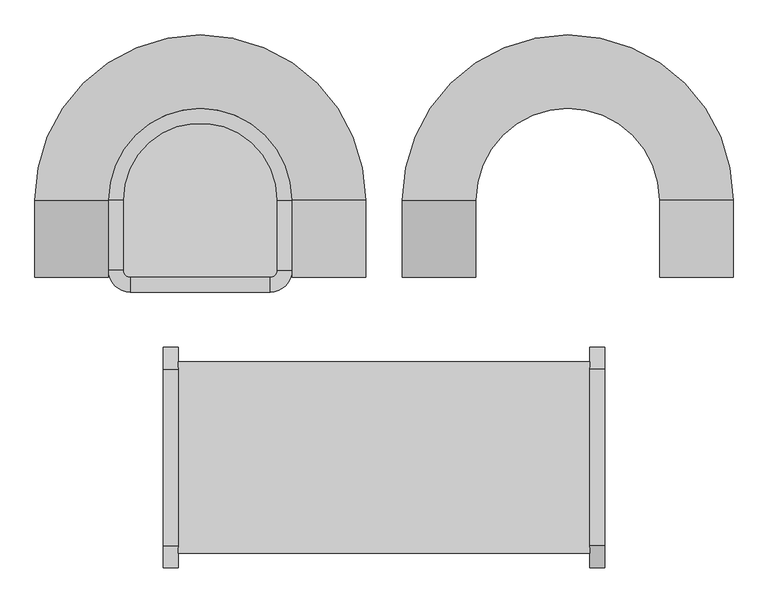
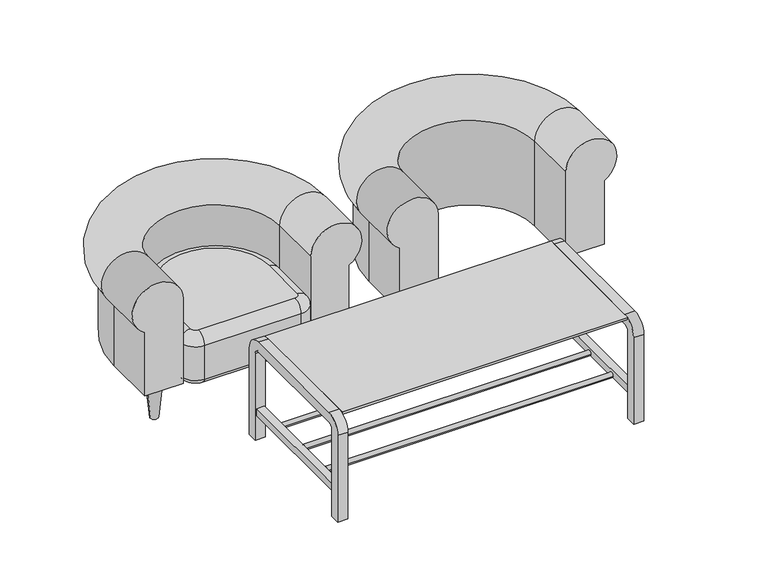
"""IFC4 building model written with IfcOpenShell, lengths in millimetres: furniture geometry."""

import ifcopenshell
import ifcopenshell.guid

model = None  # the IFC model being written
_history = None  # IfcOwnerHistory: only IFC2X3 demands one
_inside = {}  # id of a spatial element -> (the spatial element, [elements in it])
_under = {}  # id of a project, library or spatial element -> (it, [spatial elements below it])
_declared = {}  # id of a project -> (the project, [libraries it declares])
_typed = {}  # id of a type object -> (the type object, [elements of that type])
_made_of = {}  # id of a material, layer set ... -> (it, [elements and type objects made of it])


def new_model(schema):
    """Start an empty IFC model of exactly this schema.

    Asked for "IFC4X3", IfcOpenShell would pick the latest addendum, in which some entities
    have other attributes; the version numbers below select the first issue.
    IFC2X3 requires an IfcOwnerHistory on every rooted entity: one is made here for all.
    """
    global model, _history
    if schema == "IFC4X3":
        model = ifcopenshell.file(schema_version=(4, 3, 0, 0))
    else:
        model = ifcopenshell.file(schema=schema)
    _inside.clear()
    _under.clear()
    _declared.clear()
    _typed.clear()
    _made_of.clear()
    _history = None
    if model.schema == "IFC2X3":
        org = make("IfcOrganization", Name="unknown")
        user = make(
            "IfcPersonAndOrganization",
            ThePerson=make("IfcPerson", FamilyName="unknown"),
            TheOrganization=org,
        )
        app = make(
            "IfcApplication",
            ApplicationDeveloper=org,
            Version="unknown",
            ApplicationFullName="unknown",
            ApplicationIdentifier="unknown",
        )
        _history = make(
            "IfcOwnerHistory",
            OwningUser=user,
            OwningApplication=app,
            ChangeAction="ADDED",
            CreationDate=0,
        )
    return model


def make(cls, **values):
    """One entity of the class cls with the attributes given. An attribute that is None is left unset."""
    return model.create_entity(
        cls, **{name: value for name, value in values.items() if value is not None}
    )


def rooted(cls, **values):
    """An entity with a GlobalId (a new one), such as an element, a storey or a relation."""
    return make(cls, GlobalId=ifcopenshell.guid.new(), OwnerHistory=_history, **values)


def si_unit(unit_type, name, prefix=None):
    """IfcSIUnit, for example si_unit("LENGTHUNIT", "METRE", prefix="MILLI")."""
    return make("IfcSIUnit", UnitType=unit_type, Prefix=prefix, Name=name)


def assignment(units):
    """IfcUnitAssignment: the units of a project."""
    return None if units is None else make("IfcUnitAssignment", Units=units)


def point(xyz):
    """IfcCartesianPoint."""
    return None if xyz is None else make("IfcCartesianPoint", Coordinates=xyz)


def direction(xyz):
    """IfcDirection."""
    return None if xyz is None else make("IfcDirection", DirectionRatios=xyz)


def frame(location, z_axis=None, x_axis=None):
    """IfcAxis2Placement3D, a coordinate frame: its origin and axes. An axis left out is left unset."""
    return make(
        "IfcAxis2Placement3D",
        Location=point(location),
        Axis=direction(z_axis),
        RefDirection=direction(x_axis),
    )


def frame_2d(location, x_axis=None):
    """IfcAxis2Placement2D, a coordinate frame in the plane: its origin and x axis."""
    return make(
        "IfcAxis2Placement2D", Location=point(location), RefDirection=direction(x_axis)
    )


def origin():
    """The frame at (0, 0, 0) with its axes left unset."""
    return frame((0.0, 0.0, 0.0))


def place(relative_to, where):
    """IfcLocalPlacement: puts the frame where relative to a parent placement (None: the world)."""
    return make(
        "IfcLocalPlacement", PlacementRelTo=relative_to, RelativePlacement=where
    )


def context(
    kind, dimensions, precision=None, world=None, true_north=None, identifier=None
):
    """IfcGeometricRepresentationContext, for example the 3D "Model" context."""
    return make(
        "IfcGeometricRepresentationContext",
        ContextIdentifier=identifier,
        ContextType=kind,
        CoordinateSpaceDimension=dimensions,
        Precision=precision,
        WorldCoordinateSystem=world,
        TrueNorth=true_north,
    )


def project(units=None, contexts=None):
    """IfcProject with its units and contexts."""
    return rooted(
        "IfcProject",
        Name="project",
        RepresentationContexts=contexts,
        UnitsInContext=assignment(units),
    )


def spatial(cls, under=None, at=None, **own):
    """A site, building, storey or space (cls), placed at a placement, below another one or the project."""
    s = rooted(cls, ObjectPlacement=at, **own)
    if under is not None:
        _under.setdefault(under.id(), (under, []))[1].append(s)
    return s


def polyline(points):
    """IfcPolyline through the points."""
    return make("IfcPolyline", Points=[point(p) for p in points])


def circle_curve(where, radius):
    """IfcCircle in the frame where."""
    return make("IfcCircle", Position=where, Radius=radius)


def ellipse_curve(where, semi_axis1, semi_axis2):
    """IfcEllipse in the frame where."""
    return make(
        "IfcEllipse", Position=where, SemiAxis1=semi_axis1, SemiAxis2=semi_axis2
    )


def trimmed(basis, trim1, trim2, sense, master):
    """IfcTrimmedCurve: the piece of a basis curve between two trims."""
    return make(
        "IfcTrimmedCurve",
        BasisCurve=basis,
        Trim1=trim1,
        Trim2=trim2,
        SenseAgreement=sense,
        MasterRepresentation=master,
    )


def segment(curve, same_sense, transition):
    """IfcCompositeCurveSegment."""
    return make(
        "IfcCompositeCurveSegment",
        Transition=transition,
        SameSense=same_sense,
        ParentCurve=curve,
    )


def composite_curve(segments, self_intersect=None):
    """IfcCompositeCurve: segments joined end to end."""
    return make("IfcCompositeCurve", Segments=segments, SelfIntersect=self_intersect)


def outline(outer, holes=None, kind="AREA"):
    """IfcArbitraryClosedProfileDef: a profile drawn as a closed curve; with holes, ...WithVoids."""
    if holes is None:
        return make("IfcArbitraryClosedProfileDef", ProfileType=kind, OuterCurve=outer)
    return make(
        "IfcArbitraryProfileDefWithVoids",
        ProfileType=kind,
        OuterCurve=outer,
        InnerCurves=holes,
    )


def extrude(swept, where, along, depth):
    """IfcExtrudedAreaSolid: the profile swept, set in the frame where, extruded along a direction by depth."""
    return make(
        "IfcExtrudedAreaSolid",
        SweptArea=swept,
        Position=where,
        ExtrudedDirection=direction(along),
        Depth=depth,
    )


def shape(context_of_items, identifier, shape_type, items):
    """IfcShapeRepresentation: the items that make up one representation, for example the "Body"."""
    return make(
        "IfcShapeRepresentation",
        ContextOfItems=context_of_items,
        RepresentationIdentifier=identifier,
        RepresentationType=shape_type,
        Items=items,
    )


def source(mapping_origin, context_of_items, identifier, shape_type, items):
    """IfcRepresentationMap: a shape defined once, which mapped items show again and again."""
    return make(
        "IfcRepresentationMap",
        MappingOrigin=mapping_origin,
        MappedRepresentation=shape(context_of_items, identifier, shape_type, items),
    )


def transform(
    local_origin,
    x_axis=None,
    y_axis=None,
    z_axis=None,
    scale=None,
    scale2=None,
    scale3=None,
    uniform=True,
):
    """IfcCartesianTransformationOperator3D, or its non-uniform kind. x_axis, y_axis, z_axis: its Axis1, 2, 3."""
    if uniform:
        return make(
            "IfcCartesianTransformationOperator3D",
            Axis1=direction(x_axis),
            Axis2=direction(y_axis),
            LocalOrigin=point(local_origin),
            Scale=scale,
            Axis3=direction(z_axis),
        )
    return make(
        "IfcCartesianTransformationOperator3DnonUniform",
        Axis1=direction(x_axis),
        Axis2=direction(y_axis),
        LocalOrigin=point(local_origin),
        Scale=scale,
        Axis3=direction(z_axis),
        Scale2=scale2,
        Scale3=scale3,
    )


def mapped(mapping_source, mapping_target):
    """IfcMappedItem: shows the shape of a source again, moved by a transform."""
    return make(
        "IfcMappedItem", MappingSource=mapping_source, MappingTarget=mapping_target
    )


def made_of(thing, what):
    """Note that an element or type object is made of a material, layer set ...; save() writes the relation."""
    if what is not None:
        _made_of.setdefault(what.id(), (what, []))[1].append(thing)
    return thing


def element(
    cls,
    number,
    at=None,
    inside=None,
    cuts=None,
    type_object=None,
    material=None,
    context=None,
    identifier="Body",
    shape_type=None,
    held_by="IfcProductDefinitionShape",
    body=None,
    shapes=None,
    **own,
):
    """One element of the class cls, such as IfcWall. Its Tag is "e" and its number.

    at: its placement. inside: the storey or other place that contains it. cuts: it is an
    opening in that element (IfcRelVoidsElement). A single representation is given by context,
    identifier, shape_type and body (its items); several are given by shapes. held_by: the class
    of the entity that holds the representations. save() writes the other relations.
    """
    e = rooted(cls, Tag="e%d" % number, ObjectPlacement=at, **own)
    if body is not None:
        shapes = [shape(context, identifier, shape_type, body)]
    if shapes is not None:
        e.Representation = make(held_by, Representations=shapes)
    if inside is not None:
        _inside.setdefault(inside.id(), (inside, []))[1].append(e)
    if cuts is not None:
        rooted(
            "IfcRelVoidsElement", RelatingBuildingElement=cuts, RelatedOpeningElement=e
        )
    if type_object is not None:
        _typed.setdefault(type_object.id(), (type_object, []))[1].append(e)
    return made_of(e, material)


def aggregate(whole, parts):
    """IfcRelAggregates: a whole, such as a stair, and the parts it consists of."""
    return rooted("IfcRelAggregates", RelatingObject=whole, RelatedObjects=parts)


def save(model, path):
    """Write the relations noted so far, then the file.

    IfcRelAggregates (storeys below a building ...), IfcRelContainedInSpatialStructure (elements
    in a storey), IfcRelDefinesByType, IfcRelAssociatesMaterial and IfcRelDeclares: one each for
    every whole, place, type object, material and project.
    """
    for whole, parts in _under.values():
        aggregate(whole, parts)
    for where, things in _inside.values():
        rooted(
            "IfcRelContainedInSpatialStructure",
            RelatedElements=things,
            RelatingStructure=where,
        )
    for kind, things in _typed.values():
        rooted("IfcRelDefinesByType", RelatedObjects=things, RelatingType=kind)
    for what, things in _made_of.values():
        rooted("IfcRelAssociatesMaterial", RelatedObjects=things, RelatingMaterial=what)
    for by, libraries in _declared.values():
        rooted("IfcRelDeclares", RelatingContext=by, RelatedDefinitions=libraries)
    model.write(path)


def plane_surface(at):
    """IfcPlane: the flat surface through the origin of the frame at, square to its z axis."""
    return make("IfcPlane", Position=at)


def cylinder_surface(at, radius):
    """IfcCylindricalSurface: all points at the distance radius from the z axis of the frame at."""
    return make("IfcCylindricalSurface", Position=at, Radius=radius)


def revolved_surface(curve, axis_point, axis_direction):
    """IfcSurfaceOfRevolution: the curve turned about the line through axis_point along axis_direction."""
    return make(
        "IfcSurfaceOfRevolution",
        SweptCurve=make("IfcArbitraryOpenProfileDef", ProfileType="CURVE", Curve=curve),
        AxisPosition=make("IfcAxis1Placement", Location=point(axis_point), Axis=direction(axis_direction)),
    )


def advanced_brep(points, edges, surfaces, faces):
    """IfcAdvancedBrep: a solid bounded by faces that lie on surfaces and meet in shared edges.

    An edge is (start, end): straight between two places in points (the first is 0);
    or (start, end, curve); or (start, end, curve, False) where it runs against its curve.
    A face is (place in surfaces, loops), or (place, loops, False) where it looks against
    its surface's normal. A loop lists edges by number (the first is 1), with a minus sign
    where the edge is run from its end to its start. The first loop is the outer one.
    """
    corners = [point(p) for p in points]
    vertices = [make("IfcVertexPoint", VertexGeometry=c) for c in corners]
    made = []
    for start, end, *more in edges:
        made.append(
            make(
                "IfcEdgeCurve",
                EdgeStart=vertices[start],
                EdgeEnd=vertices[end],
                EdgeGeometry=more[0] if more else make("IfcPolyline", Points=[corners[start], corners[end]]),
                SameSense=more[1] if len(more) > 1 else True,
            )
        )
    hull = []
    for where, loops, *sense in faces:
        bounds = []
        for j, loop in enumerate(loops):
            ring = [make("IfcOrientedEdge", EdgeElement=made[abs(k) - 1], Orientation=k > 0) for k in loop]
            bounds.append(
                make(
                    "IfcFaceOuterBound" if j == 0 else "IfcFaceBound",
                    Bound=make("IfcEdgeLoop", EdgeList=ring),
                    Orientation=True,
                )
            )
        hull.append(make("IfcAdvancedFace", Bounds=bounds, FaceSurface=surfaces[where], SameSense=sense[0] if sense else True))
    return make("IfcAdvancedBrep", Outer=make("IfcClosedShell", CfsFaces=hull))


def furniture_04e8e0e5(model_context):
    return source(origin(), model_context, "Body", "SolidModel", [
        advanced_brep(
        [(750.0, 490.0, 500.0), (750.0, 490.0, 150.0), (900.0, 490.0, 150.0), (900.0, 490.0, 413.3974596), (750.0, 700.0, 500.0), (750.0, 700.0, 150.0), (250.0, 700.0, 150.0), (250.0, 490.0, 150.0), (100.0, 490.0, 150.0), (100.0, 700.0, 150.0), (900.0, 700.0, 150.0), (900.0, 700.0, 413.3974596), (250.0, 700.0, 500.0), (100.0, 700.0, 413.3974596), (250.0, 490.0, 500.0), (100.0, 490.0, 413.3974596)],
        [
            (0, 1),
            (1, 2),
            (2, 3),
            (3, 0, circle_curve(frame((850.0, 490.0, 500.0), z_axis=(0.0, -1.0, 0.0), x_axis=(1.0, 0.0, 0.0)), 100.0)),
            (0, 4),
            (4, 5),
            (5, 1),
            (5, 6, circle_curve(frame((500.0, 700.0, 150.0), z_axis=(0.0, 0.0, 1.0), x_axis=(1.0, 0.0, 0.0)), 250.0)),
            (6, 7),
            (7, 8),
            (8, 9),
            (9, 10, circle_curve(frame((500.0, 700.0, 150.0), z_axis=(0.0, 0.0, -1.0), x_axis=(1.0, 0.0, 0.0)), 400.0)),
            (10, 2),
            (10, 11),
            (11, 3),
            (11, 4, circle_curve(frame((850.0, 700.0, 500.0), z_axis=(0.0, -1.0, 0.0), x_axis=(1.0, 0.0, 0.0)), 100.0)),
            (4, 12, circle_curve(frame((500.0, 700.0, 500.0), z_axis=(0.0, 0.0, 1.0), x_axis=(1.0, 0.0, 0.0)), 250.0)),
            (12, 6),
            (13, 11, circle_curve(frame((500.0, 700.0, 413.3974596), z_axis=(0.0, 0.0, -1.0), x_axis=(1.0, 0.0, 0.0)), 400.0)),
            (9, 13),
            (13, 12, circle_curve(frame((150.0, 700.0, 500.0), z_axis=(0.0, 1.0, 0.0), x_axis=(-1.0, 0.0, 0.0)), 100.0)),
            (14, 15, circle_curve(frame((150.0, 490.0, 500.0), z_axis=(0.0, -1.0, 0.0), x_axis=(-1.0, 0.0, 0.0)), 100.0)),
            (15, 8),
            (7, 14),
            (12, 14),
            (15, 13),
        ],
        [
            plane_surface(frame((140.119898, 490.0, 0.0), z_axis=(0.0, -1.0, 0.0), x_axis=(0.0, 0.0, 1.0))),
            plane_surface(frame((750.0, 490.0, 500.0), z_axis=(-1.0, 0.0, 0.0), x_axis=(0.0, 1.0, 0.0))),
            plane_surface(frame((750.0, 490.0, 150.0), z_axis=(0.0, 0.0, -1.0), x_axis=(0.0, 1.0, 0.0))),
            plane_surface(frame((900.0, 490.0, 150.0), z_axis=(1.0, 0.0, 0.0), x_axis=(0.0, 1.0, 0.0))),
            cylinder_surface(frame((850.0, 490.0, 500.0), z_axis=(0.0, -1.0, 0.0), x_axis=(1.0, 0.0, 0.0)), 100.0),
            revolved_surface(polyline([(750.0, 700.0, 500.0), (750.0, 700.0, 150.0)]), (500.0, 700.0, 0.0), (0.0, 0.0, 1.0)),
            cylinder_surface(frame((500.0, 700.0, 0.0), z_axis=(0.0, 0.0, 1.0), x_axis=(1.0, 0.0, 0.0)), 400.0),
            revolved_surface(trimmed(ellipse_curve(frame((850.0, 700.0, 500.0), z_axis=(0.0, -1.0, 0.0), x_axis=(1.0, 0.0, 0.0)), 100.0, 100.0), [point((900.0, 700.0, 413.3974596))], [point((750.0, 700.0, 500.0))], True, "CARTESIAN"), (500.0, 700.0, 0.0), (0.0, 0.0, 1.0)),
            plane_surface(frame((-359.880102, 490.0, 0.0), z_axis=(0.0, -1.0, 0.0), x_axis=(0.0, 0.0, -1.0))),
            plane_surface(frame((250.0, 700.0, 500.0), z_axis=(1.0, 0.0, 0.0), x_axis=(0.0, -1.0, 0.0))),
            plane_surface(frame((100.0, 700.0, 150.0), z_axis=(-1.0, 0.0, 0.0), x_axis=(0.0, -1.0, 0.0))),
            cylinder_surface(frame((150.0, 700.0, 500.0), z_axis=(0.0, 1.0, 0.0), x_axis=(-1.0, 0.0, 0.0)), 100.0),
        ],
        [
            (0, [[1, 2, 3, 4]]),
            (1, [[-1, 5, 6, 7]]),
            (2, [[-2, -7, 8, 9, 10, 11, 12, 13]]),
            (3, [[-3, -13, 14, 15]]),
            (4, [[-4, -15, 16, -5]]),
            (5, [[-8, -6, 17, 18]]),
            (6, [[19, -14, -12, 20]]),
            (7, [[-17, -16, -19, 21]]),
            (8, [[22, 23, -10, 24]]),
            (9, [[-18, 25, -24, -9]]),
            (10, [[-20, -11, -23, 26]]),
            (11, [[-21, -26, -22, -25]]),
        ],
    ),
        advanced_brep(
        [(-750.0, 510.0, 310.0), (-690.0, 450.0, 310.0), (-690.0, 490.0, 350.0), (-710.0, 510.0, 350.0), (-750.0, 510.0, 170.0), (-690.0, 450.0, 170.0), (-730.0, 510.0, 150.0), (-690.0, 470.0, 150.0), (-710.0, 700.0, 350.0), (-750.0, 700.0, 310.0), (-750.0, 700.0, 170.0), (-730.0, 700.0, 150.0), (-290.0, 700.0, 350.0), (-250.0, 700.0, 310.0), (-250.0, 700.0, 170.0), (-270.0, 700.0, 150.0), (-290.0, 510.0, 350.0), (-250.0, 510.0, 310.0), (-250.0, 510.0, 170.0), (-270.0, 510.0, 150.0), (-310.0, 490.0, 350.0), (-310.0, 450.0, 310.0), (-310.0, 450.0, 170.0), (-310.0, 470.0, 150.0)],
        [
            (0, 1, circle_curve(frame((-690.0, 510.0, 310.0), z_axis=(0.0, 0.0, 1.0), x_axis=(0.0, -1.0, 0.0)), 60.0)),
            (1, 2, circle_curve(frame((-690.0, 490.0, 310.0), z_axis=(-1.0, 0.0, 0.0), x_axis=(0.0, 1.0, 0.0)), 40.0)),
            (2, 3, circle_curve(frame((-690.0, 510.0, 350.0), z_axis=(0.0, 0.0, -1.0), x_axis=(0.0, -1.0, 0.0)), 20.0)),
            (3, 0, circle_curve(frame((-710.0, 510.0, 310.0), z_axis=(0.0, -1.0, 0.0), x_axis=(1.0, 0.0, 0.0)), 40.0)),
            (0, 4),
            (4, 5, circle_curve(frame((-690.0, 510.0, 170.0), z_axis=(0.0, 0.0, 1.0), x_axis=(0.0, -1.0, 0.0)), 60.0)),
            (5, 1),
            (4, 6, circle_curve(frame((-730.0, 510.0, 170.0), z_axis=(0.0, -1.0, 0.0), x_axis=(1.0, 0.0, 0.0)), 20.0)),
            (6, 7, circle_curve(frame((-690.0, 510.0, 150.0), z_axis=(0.0, 0.0, 1.0), x_axis=(0.0, -1.0, 0.0)), 40.0)),
            (7, 5, circle_curve(frame((-690.0, 470.0, 170.0), z_axis=(-1.0, 0.0, 0.0), x_axis=(0.0, 1.0, 0.0)), 20.0)),
            (3, 8),
            (8, 9, circle_curve(frame((-710.0, 700.0, 310.0), z_axis=(0.0, -1.0, 0.0), x_axis=(1.0, 0.0, 0.0)), 40.0)),
            (9, 0),
            (9, 10),
            (10, 4),
            (10, 11, circle_curve(frame((-730.0, 700.0, 170.0), z_axis=(0.0, -1.0, 0.0), x_axis=(1.0, 0.0, 0.0)), 20.0)),
            (11, 6),
            (8, 12, circle_curve(frame((-500.0, 700.0, 350.0), z_axis=(0.0, 0.0, -1.0), x_axis=(-1.0, 0.0, 0.0)), 210.0)),
            (12, 13, circle_curve(frame((-290.0, 700.0, 310.0), z_axis=(0.0, 1.0, 0.0), x_axis=(-1.0, 0.0, 0.0)), 40.0)),
            (13, 9, circle_curve(frame((-500.0, 700.0, 310.0), z_axis=(0.0, 0.0, 1.0), x_axis=(-1.0, 0.0, 0.0)), 250.0)),
            (13, 14),
            (14, 10, circle_curve(frame((-500.0, 700.0, 170.0), z_axis=(0.0, 0.0, 1.0), x_axis=(-1.0, 0.0, 0.0)), 250.0)),
            (14, 15, circle_curve(frame((-270.0, 700.0, 170.0), z_axis=(0.0, 1.0, 0.0), x_axis=(-1.0, 0.0, 0.0)), 20.0)),
            (15, 11, circle_curve(frame((-500.0, 700.0, 150.0), z_axis=(0.0, 0.0, 1.0), x_axis=(-1.0, 0.0, 0.0)), 230.0)),
            (12, 16),
            (16, 17, circle_curve(frame((-290.0, 510.0, 310.0), z_axis=(0.0, 1.0, 0.0), x_axis=(-1.0, 0.0, 0.0)), 40.0)),
            (17, 13),
            (17, 18),
            (18, 14),
            (18, 19, circle_curve(frame((-270.0, 510.0, 170.0), z_axis=(0.0, 1.0, 0.0), x_axis=(-1.0, 0.0, 0.0)), 20.0)),
            (19, 15),
            (16, 20, circle_curve(frame((-310.0, 510.0, 350.0), z_axis=(0.0, 0.0, -1.0), x_axis=(1.0, 0.0, 0.0)), 20.0)),
            (20, 21, circle_curve(frame((-310.0, 490.0, 310.0), z_axis=(1.0, 0.0, 0.0), x_axis=(0.0, 1.0, 0.0)), 40.0)),
            (21, 17, circle_curve(frame((-310.0, 510.0, 310.0), z_axis=(0.0, 0.0, 1.0), x_axis=(1.0, 0.0, 0.0)), 60.0)),
            (21, 22),
            (22, 18, circle_curve(frame((-310.0, 510.0, 170.0), z_axis=(0.0, 0.0, 1.0), x_axis=(1.0, 0.0, 0.0)), 60.0)),
            (22, 23, circle_curve(frame((-310.0, 470.0, 170.0), z_axis=(1.0, 0.0, 0.0), x_axis=(0.0, 1.0, 0.0)), 20.0)),
            (23, 19, circle_curve(frame((-310.0, 510.0, 150.0), z_axis=(0.0, 0.0, 1.0), x_axis=(1.0, 0.0, 0.0)), 40.0)),
            (1, 21),
            (20, 2),
            (5, 22),
            (7, 23),
        ],
        [
            revolved_surface(trimmed(ellipse_curve(frame((-690.0, 490.0, 310.0), z_axis=(1.0, 0.0, 0.0), x_axis=(0.0, 1.0, 0.0)), 40.0, 40.0), [point((-690.0, 490.0, 350.0))], [point((-690.0, 450.0, 310.0))], True, "CARTESIAN"), (-690.0, 510.0, 150.0), (0.0, 0.0, -1.0)),
            cylinder_surface(frame((-690.0, 510.0, 150.0), z_axis=(0.0, 0.0, -1.0), x_axis=(0.0, -1.0, 0.0)), 60.0),
            revolved_surface(trimmed(ellipse_curve(frame((-690.0, 470.0, 170.0), z_axis=(1.0, 0.0, 0.0), x_axis=(0.0, 1.0, 0.0)), 20.0, 20.0), [point((-690.0, 450.0, 170.0))], [point((-690.0, 470.0, 150.0))], True, "CARTESIAN"), (-690.0, 510.0, 150.0), (0.0, 0.0, -1.0)),
            cylinder_surface(frame((-710.0, 510.0, 310.0), z_axis=(0.0, -1.0, 0.0), x_axis=(1.0, 0.0, 0.0)), 40.0),
            plane_surface(frame((-750.0, 510.0, 310.0), z_axis=(-1.0, 0.0, 0.0), x_axis=(0.0, 1.0, 0.0))),
            cylinder_surface(frame((-730.0, 510.0, 170.0), z_axis=(0.0, -1.0, 0.0), x_axis=(1.0, 0.0, 0.0)), 20.0),
            revolved_surface(trimmed(ellipse_curve(frame((-710.0, 700.0, 310.0), z_axis=(0.0, -1.0, 0.0), x_axis=(1.0, 0.0, 0.0)), 40.0, 40.0), [point((-710.0, 700.0, 350.0))], [point((-750.0, 700.0, 310.0))], True, "CARTESIAN"), (-500.0, 700.0, 150.0), (0.0, 0.0, -1.0)),
            cylinder_surface(frame((-500.0, 700.0, 150.0), z_axis=(0.0, 0.0, -1.0), x_axis=(-1.0, 0.0, 0.0)), 250.0),
            revolved_surface(trimmed(ellipse_curve(frame((-730.0, 700.0, 170.0), z_axis=(0.0, -1.0, 0.0), x_axis=(1.0, 0.0, 0.0)), 20.0, 20.0), [point((-750.0, 700.0, 170.0))], [point((-730.0, 700.0, 150.0))], True, "CARTESIAN"), (-500.0, 700.0, 150.0), (0.0, 0.0, -1.0)),
            cylinder_surface(frame((-290.0, 700.0, 310.0), z_axis=(0.0, 1.0, 0.0), x_axis=(-1.0, 0.0, 0.0)), 40.0),
            plane_surface(frame((-250.0, 700.0, 310.0), z_axis=(1.0, 0.0, 0.0), x_axis=(0.0, -1.0, 0.0))),
            cylinder_surface(frame((-270.0, 700.0, 170.0), z_axis=(0.0, 1.0, 0.0), x_axis=(-1.0, 0.0, 0.0)), 20.0),
            revolved_surface(trimmed(ellipse_curve(frame((-290.0, 510.0, 310.0), z_axis=(0.0, 1.0, 0.0), x_axis=(-1.0, 0.0, 0.0)), 40.0, 40.0), [point((-290.0, 510.0, 350.0))], [point((-250.0, 510.0, 310.0))], True, "CARTESIAN"), (-310.0, 510.0, 150.0), (0.0, 0.0, -1.0)),
            cylinder_surface(frame((-310.0, 510.0, 150.0), z_axis=(0.0, 0.0, -1.0), x_axis=(1.0, 0.0, 0.0)), 60.0),
            revolved_surface(trimmed(ellipse_curve(frame((-270.0, 510.0, 170.0), z_axis=(0.0, 1.0, 0.0), x_axis=(-1.0, 0.0, 0.0)), 20.0, 20.0), [point((-250.0, 510.0, 170.0))], [point((-270.0, 510.0, 150.0))], True, "CARTESIAN"), (-310.0, 510.0, 150.0), (0.0, 0.0, -1.0)),
            cylinder_surface(frame((-310.0, 490.0, 310.0), z_axis=(1.0, 0.0, 0.0), x_axis=(0.0, 1.0, 0.0)), 40.0),
            plane_surface(frame((-310.0, 450.0, 310.0), z_axis=(0.0, -1.0, 0.0), x_axis=(-1.0, 0.0, 0.0))),
            cylinder_surface(frame((-310.0, 470.0, 170.0), z_axis=(1.0, 0.0, 0.0), x_axis=(0.0, 1.0, 0.0)), 20.0),
            plane_surface(frame((-310.0, 470.0, 150.0), z_axis=(0.0, 0.0, -1.0), x_axis=(-1.0, 0.0, 0.0))),
            plane_surface(frame((-310.0, 500.0, 350.0), z_axis=(0.0, 0.0, 1.0), x_axis=(-1.0, 0.0, 0.0))),
        ],
        [
            (0, [[1, 2, 3, 4]]),
            (1, [[-1, 5, 6, 7]]),
            (2, [[-6, 8, 9, 10]]),
            (3, [[-4, 11, 12, 13]]),
            (4, [[-5, -13, 14, 15]]),
            (5, [[-8, -15, 16, 17]]),
            (6, [[-12, 18, 19, 20]]),
            (7, [[-14, -20, 21, 22]]),
            (8, [[-16, -22, 23, 24]]),
            (9, [[-19, 25, 26, 27]]),
            (10, [[-21, -27, 28, 29]]),
            (11, [[-23, -29, 30, 31]]),
            (12, [[-26, 32, 33, 34]]),
            (13, [[-28, -34, 35, 36]]),
            (14, [[-30, -36, 37, 38]]),
            (15, [[-2, 39, -33, 40]]),
            (16, [[-7, 41, -35, -39]]),
            (17, [[-10, 42, -37, -41]]),
            (18, [[-9, -17, -24, -31, -38, -42]]),
            (19, [[-3, -40, -32, -25, -18, -11]]),
        ],
    ),
        advanced_brep(
        [(-142.768225, 552.485111, 150.0), (-202.768225, 552.485111, 150.0), (-157.768225, 552.485111, 0.0), (-187.768225, 552.485111, 0.0)],
        [
            (0, 1, circle_curve(frame((-172.768225, 552.485111, 150.0), z_axis=(0.0, 0.0, 1.0), x_axis=(1.0, 0.0, 0.0)), 30.0)),
            (1, 0, circle_curve(frame((-172.768225, 552.485111, 150.0), z_axis=(0.0, 0.0, 1.0), x_axis=(-1.0, 0.0, 0.0)), 30.0)),
            (2, 3, circle_curve(frame((-172.768225, 552.485111, 0.0), z_axis=(0.0, 0.0, -1.0), x_axis=(-1.0, 0.0, 0.0)), 15.0)),
            (3, 2, circle_curve(frame((-172.768225, 552.485111, 0.0), z_axis=(0.0, 0.0, -1.0), x_axis=(1.0, 0.0, 0.0)), 15.0)),
            (3, 1),
            (0, 2),
        ],
        [
            plane_surface(frame((-172.768225, 552.485111, 150.0), z_axis=(0.0, 0.0, 1.0), x_axis=(0.0, 1.0, 0.0))),
            plane_surface(frame((-172.768225, 552.485111, 0.0), z_axis=(0.0, 0.0, -1.0), x_axis=(0.0, 1.0, 0.0))),
            revolved_surface(polyline([(-187.768225, 552.485111, 0.0), (-202.768225, 552.485111, 150.0)]), (-172.768225, 552.485111, -150.0), (0.0, 0.0, 1.0)),
            revolved_surface(polyline([(-157.768225, 552.485111, 0.0), (-142.768225, 552.485111, 150.0)]), (-172.768225, 552.485111, -150.0), (0.0, 0.0, 1.0)),
        ],
        [
            (0, [[1, 2]]),
            (1, [[3, 4]]),
            (2, [[-4, 5, -1, 6]]),
            (3, [[-3, -6, -2, -5]]),
        ],
    ),
        advanced_brep(
        [(-271.714475, 996.0241435, 150.0), (-331.714475, 996.0241435, 150.0), (-286.714475, 996.0241435, 0.0), (-316.714475, 996.0241435, 0.0)],
        [
            (0, 1, circle_curve(frame((-301.714475, 996.0241435, 150.0), z_axis=(0.0, 0.0, 1.0), x_axis=(1.0, 0.0, 0.0)), 30.0)),
            (1, 0, circle_curve(frame((-301.714475, 996.0241435, 150.0), z_axis=(0.0, 0.0, 1.0), x_axis=(-1.0, 0.0, 0.0)), 30.0)),
            (2, 3, circle_curve(frame((-301.714475, 996.0241435, 0.0), z_axis=(0.0, 0.0, -1.0), x_axis=(-1.0, 0.0, 0.0)), 15.0)),
            (3, 2, circle_curve(frame((-301.714475, 996.0241435, 0.0), z_axis=(0.0, 0.0, -1.0), x_axis=(1.0, 0.0, 0.0)), 15.0)),
            (3, 1),
            (0, 2),
        ],
        [
            plane_surface(frame((-301.714475, 996.0241435, 150.0), z_axis=(0.0, 0.0, 1.0), x_axis=(0.0, 1.0, 0.0))),
            plane_surface(frame((-301.714475, 996.0241435, 0.0), z_axis=(0.0, 0.0, -1.0), x_axis=(0.0, 1.0, 0.0))),
            revolved_surface(polyline([(-316.714475, 996.0241435, 0.0), (-331.714475, 996.0241435, 150.0)]), (-301.714475, 996.0241435, -150.0), (0.0, 0.0, 1.0)),
            revolved_surface(polyline([(-286.714475, 996.0241435, 0.0), (-271.714475, 996.0241435, 150.0)]), (-301.714475, 996.0241435, -150.0), (0.0, 0.0, 1.0)),
        ],
        [
            (0, [[1, 2]]),
            (1, [[3, 4]]),
            (2, [[-4, 5, -1, 6]]),
            (3, [[-3, -6, -2, -5]]),
        ],
    ),
        advanced_brep(
        [(-728.285525, 996.0241435, 150.0), (-668.285525, 996.0241435, 150.0), (-713.285525, 996.0241435, 0.0), (-683.285525, 996.0241435, 0.0)],
        [
            (0, 1, circle_curve(frame((-698.285525, 996.0241435, 150.0), z_axis=(0.0, 0.0, 1.0), x_axis=(-1.0, 0.0, 0.0)), 30.0)),
            (1, 0, circle_curve(frame((-698.285525, 996.0241435, 150.0), z_axis=(0.0, 0.0, 1.0), x_axis=(1.0, 0.0, 0.0)), 30.0)),
            (2, 3, circle_curve(frame((-698.285525, 996.0241435, 0.0), z_axis=(0.0, 0.0, -1.0), x_axis=(1.0, 0.0, 0.0)), 15.0)),
            (3, 2, circle_curve(frame((-698.285525, 996.0241435, 0.0), z_axis=(0.0, 0.0, -1.0), x_axis=(-1.0, 0.0, 0.0)), 15.0)),
            (3, 1),
            (0, 2),
        ],
        [
            plane_surface(frame((-698.285525, 996.0241435, 150.0), z_axis=(0.0, 0.0, 1.0), x_axis=(0.0, -1.0, 0.0))),
            plane_surface(frame((-698.285525, 996.0241435, 0.0), z_axis=(0.0, 0.0, -1.0), x_axis=(0.0, -1.0, 0.0))),
            revolved_surface(polyline([(-683.285525, 996.0241435, 0.0), (-668.285525, 996.0241435, 150.0)]), (-698.285525, 996.0241435, -150.0), (0.0, 0.0, 1.0)),
            revolved_surface(polyline([(-713.285525, 996.0241435, 0.0), (-728.285525, 996.0241435, 150.0)]), (-698.285525, 996.0241435, -150.0), (0.0, 0.0, 1.0)),
        ],
        [
            (0, [[1, 2]]),
            (1, [[3, 4]]),
            (2, [[-4, 5, -1, 6]]),
            (3, [[-3, -6, -2, -5]]),
        ],
    ),
        advanced_brep(
        [(-857.231775, 552.485111, 150.0), (-797.231775, 552.485111, 150.0), (-842.231775, 552.485111, 0.0), (-812.231775, 552.485111, 0.0)],
        [
            (0, 1, circle_curve(frame((-827.231775, 552.485111, 150.0), z_axis=(0.0, 0.0, 1.0), x_axis=(-1.0, 0.0, 0.0)), 30.0)),
            (1, 0, circle_curve(frame((-827.231775, 552.485111, 150.0), z_axis=(0.0, 0.0, 1.0), x_axis=(1.0, 0.0, 0.0)), 30.0)),
            (2, 3, circle_curve(frame((-827.231775, 552.485111, 0.0), z_axis=(0.0, 0.0, -1.0), x_axis=(1.0, 0.0, 0.0)), 15.0)),
            (3, 2, circle_curve(frame((-827.231775, 552.485111, 0.0), z_axis=(0.0, 0.0, -1.0), x_axis=(-1.0, 0.0, 0.0)), 15.0)),
            (3, 1),
            (0, 2),
        ],
        [
            plane_surface(frame((-827.231775, 552.485111, 150.0), z_axis=(0.0, 0.0, 1.0), x_axis=(0.0, -1.0, 0.0))),
            plane_surface(frame((-827.231775, 552.485111, 0.0), z_axis=(0.0, 0.0, -1.0), x_axis=(0.0, -1.0, 0.0))),
            revolved_surface(polyline([(-812.231775, 552.485111, 0.0), (-797.231775, 552.485111, 150.0)]), (-827.231775, 552.485111, -150.0), (0.0, 0.0, 1.0)),
            revolved_surface(polyline([(-842.231775, 552.485111, 0.0), (-857.231775, 552.485111, 150.0)]), (-827.231775, 552.485111, -150.0), (0.0, 0.0, 1.0)),
        ],
        [
            (0, [[1, 2]]),
            (1, [[3, 4]]),
            (2, [[-4, 5, -1, 6]]),
            (3, [[-3, -6, -2, -5]]),
        ],
    ),
        advanced_brep(
        [(-250.0, 490.0, 500.0), (-250.0, 490.0, 150.0), (-100.0, 490.0, 150.0), (-100.0, 490.0, 413.3974596), (-250.0, 700.0, 500.0), (-250.0, 700.0, 150.0), (-750.0, 700.0, 150.0), (-750.0, 490.0, 150.0), (-900.0, 490.0, 150.0), (-900.0, 700.0, 150.0), (-100.0, 700.0, 150.0), (-100.0, 700.0, 413.3974596), (-750.0, 700.0, 500.0), (-900.0, 700.0, 413.3974596), (-750.0, 490.0, 500.0), (-900.0, 490.0, 413.3974596)],
        [
            (0, 1),
            (1, 2),
            (2, 3),
            (3, 0, circle_curve(frame((-150.0, 490.0, 500.0), z_axis=(0.0, -1.0, 0.0), x_axis=(1.0, 0.0, 0.0)), 100.0)),
            (0, 4),
            (4, 5),
            (5, 1),
            (5, 6, circle_curve(frame((-500.0, 700.0, 150.0), z_axis=(0.0, 0.0, 1.0), x_axis=(1.0, 0.0, 0.0)), 250.0)),
            (6, 7),
            (7, 8),
            (8, 9),
            (9, 10, circle_curve(frame((-500.0, 700.0, 150.0), z_axis=(0.0, 0.0, -1.0), x_axis=(1.0, 0.0, 0.0)), 400.0)),
            (10, 2),
            (10, 11),
            (11, 3),
            (11, 4, circle_curve(frame((-150.0, 700.0, 500.0), z_axis=(0.0, -1.0, 0.0), x_axis=(1.0, 0.0, 0.0)), 100.0)),
            (4, 12, circle_curve(frame((-500.0, 700.0, 500.0), z_axis=(0.0, 0.0, 1.0), x_axis=(1.0, 0.0, 0.0)), 250.0)),
            (12, 6),
            (13, 11, circle_curve(frame((-500.0, 700.0, 413.3974596), z_axis=(0.0, 0.0, -1.0), x_axis=(1.0, 0.0, 0.0)), 400.0)),
            (9, 13),
            (13, 12, circle_curve(frame((-850.0, 700.0, 500.0), z_axis=(0.0, 1.0, 0.0), x_axis=(-1.0, 0.0, 0.0)), 100.0)),
            (14, 15, circle_curve(frame((-850.0, 490.0, 500.0), z_axis=(0.0, -1.0, 0.0), x_axis=(-1.0, 0.0, 0.0)), 100.0)),
            (15, 8),
            (7, 14),
            (12, 14),
            (15, 13),
        ],
        [
            plane_surface(frame((-859.880102, 490.0, 0.0), z_axis=(0.0, -1.0, 0.0), x_axis=(0.0, 0.0, 1.0))),
            plane_surface(frame((-250.0, 490.0, 500.0), z_axis=(-1.0, 0.0, 0.0), x_axis=(0.0, 1.0, 0.0))),
            plane_surface(frame((-250.0, 490.0, 150.0), z_axis=(0.0, 0.0, -1.0), x_axis=(0.0, 1.0, 0.0))),
            plane_surface(frame((-100.0, 490.0, 150.0), z_axis=(1.0, 0.0, 0.0), x_axis=(0.0, 1.0, 0.0))),
            cylinder_surface(frame((-150.0, 490.0, 500.0), z_axis=(0.0, -1.0, 0.0), x_axis=(1.0, 0.0, 0.0)), 100.0),
            revolved_surface(polyline([(-250.0, 700.0, 500.0), (-250.0, 700.0, 150.0)]), (-500.0, 700.0, 0.0), (0.0, 0.0, 1.0)),
            cylinder_surface(frame((-500.0, 700.0, 0.0), z_axis=(0.0, 0.0, 1.0), x_axis=(1.0, 0.0, 0.0)), 400.0),
            revolved_surface(trimmed(ellipse_curve(frame((-150.0, 700.0, 500.0), z_axis=(0.0, -1.0, 0.0), x_axis=(1.0, 0.0, 0.0)), 100.0, 100.0), [point((-100.0, 700.0, 413.3974596))], [point((-250.0, 700.0, 500.0))], True, "CARTESIAN"), (-500.0, 700.0, 0.0), (0.0, 0.0, 1.0)),
            plane_surface(frame((-1359.880102, 490.0, 0.0), z_axis=(0.0, -1.0, 0.0), x_axis=(0.0, 0.0, -1.0))),
            plane_surface(frame((-750.0, 700.0, 500.0), z_axis=(1.0, 0.0, 0.0), x_axis=(0.0, -1.0, 0.0))),
            plane_surface(frame((-900.0, 700.0, 150.0), z_axis=(-1.0, 0.0, 0.0), x_axis=(0.0, -1.0, 0.0))),
            cylinder_surface(frame((-850.0, 700.0, 500.0), z_axis=(0.0, 1.0, 0.0), x_axis=(-1.0, 0.0, 0.0)), 100.0),
        ],
        [
            (0, [[1, 2, 3, 4]]),
            (1, [[-1, 5, 6, 7]]),
            (2, [[-2, -7, 8, 9, 10, 11, 12, 13]]),
            (3, [[-3, -13, 14, 15]]),
            (4, [[-4, -15, 16, -5]]),
            (5, [[-8, -6, 17, 18]]),
            (6, [[19, -14, -12, 20]]),
            (7, [[-17, -16, -19, 21]]),
            (8, [[22, 23, -10, 24]]),
            (9, [[-18, 25, -24, -9]]),
            (10, [[-20, -11, -23, 26]]),
            (11, [[-21, -26, -22, -25]]),
        ],
    ),
        extrude(outline(polyline([(560.0, -190.0), (560.0, -220.0), (-560.0, -220.0), (-560.0, -190.0), (560.0, -190.0)])), frame((0.0, 0.0, 380.0), z_axis=(0.0, 0.0, 1.0), x_axis=(1.0, 0.0, 0.0)), (0.0, 0.0, 1.0), 30.0),
        extrude(outline(polyline([(560.0, 220.0), (560.0, 190.0), (-560.0, 190.0), (-560.0, 220.0), (560.0, 220.0)])), frame((0.0, 0.0, 380.0), z_axis=(0.0, 0.0, 1.0), x_axis=(1.0, 0.0, 0.0)), (0.0, 0.0, 1.0), 30.0),
        extrude(outline(composite_curve([segment(trimmed(circle_curve(frame_2d((0.0, 114.7412322)), 10.0), [point((-10.0, 114.7412322))], [point((10.0, 114.7412322))], False, "CARTESIAN"), True, "CONTINUOUS"), segment(trimmed(circle_curve(frame_2d((0.0, 114.7412322)), 10.0), [point((10.0, 114.7412322))], [point((-10.0, 114.7412322))], False, "CARTESIAN"), True, "CONTINUOUS")], self_intersect=False)), frame((-560.0, 0.0, 0.0), z_axis=(1.0, 0.0, 0.0), x_axis=(0.0, 1.0, 0.0)), (0.0, 0.0, 1.0), 1120.0),
        extrude(outline(composite_curve([segment(trimmed(circle_curve(frame_2d((150.0, 114.7412322)), 10.0), [point((140.0, 114.7412322))], [point((160.0, 114.7412322))], False, "CARTESIAN"), True, "CONTINUOUS"), segment(trimmed(circle_curve(frame_2d((150.0, 114.7412322)), 10.0), [point((160.0, 114.7412322))], [point((140.0, 114.7412322))], False, "CARTESIAN"), True, "CONTINUOUS")], self_intersect=False)), frame((-560.0, 0.0, 0.0), z_axis=(1.0, 0.0, 0.0), x_axis=(0.0, 1.0, 0.0)), (0.0, 0.0, 1.0), 1120.0),
        extrude(outline(composite_curve([segment(trimmed(circle_curve(frame_2d((-150.0, 114.7412322)), 10.0), [point((-160.0, 114.7412322))], [point((-140.0, 114.7412322))], False, "CARTESIAN"), True, "CONTINUOUS"), segment(trimmed(circle_curve(frame_2d((-150.0, 114.7412322)), 10.0), [point((-140.0, 114.7412322))], [point((-160.0, 114.7412322))], False, "CARTESIAN"), True, "CONTINUOUS")], self_intersect=False)), frame((-560.0, 0.0, 0.0), z_axis=(1.0, 0.0, 0.0), x_axis=(0.0, 1.0, 0.0)), (0.0, 0.0, 1.0), 1120.0),
        extrude(outline(polyline([(595.0, -260.0), (565.0, -260.0), (565.0, 260.0), (595.0, 260.0), (595.0, -260.0)])), frame((0.0, 0.0, 100.0), z_axis=(0.0, 0.0, 1.0), x_axis=(1.0, 0.0, 0.0)), (0.0, 0.0, 1.0), 30.0),
        extrude(outline(polyline([(-565.0, -260.0), (-595.0, -260.0), (-595.0, 260.0), (-565.0, 260.0), (-565.0, -260.0)])), frame((0.0, 0.0, 100.0), z_axis=(0.0, 0.0, 1.0), x_axis=(1.0, 0.0, 0.0)), (0.0, 0.0, 1.0), 30.0),
        extrude(outline(composite_curve([segment(trimmed(circle_curve(frame_2d((-240.0, 360.0)), 60.0), [point((-300.0, 360.0))], [point((-240.0, 420.0))], False, "CARTESIAN"), True, "CONTINUOUS"), segment(polyline([(-240.0, 420.0), (240.0, 420.0)]), True, "CONTINUOUS"), segment(trimmed(circle_curve(frame_2d((240.0, 360.0)), 60.0), [point((240.0, 420.0))], [point((300.0, 360.0))], False, "CARTESIAN"), True, "CONTINUOUS"), segment(polyline([(300.0, 360.0), (300.0, 0.0), (260.0, 0.0), (260.0, 360.0)]), True, "CONTINUOUS"), segment(trimmed(circle_curve(frame_2d((240.0, 360.0)), 20.0), [point((260.0, 360.0))], [point((240.0, 380.0))], True, "CARTESIAN"), True, "CONTINUOUS"), segment(polyline([(240.0, 380.0), (-240.0, 380.0)]), True, "CONTINUOUS"), segment(trimmed(circle_curve(frame_2d((-240.0, 360.0)), 20.0), [point((-240.0, 380.0))], [point((-260.0, 360.0))], True, "CARTESIAN"), True, "CONTINUOUS"), segment(polyline([(-260.0, 360.0), (-260.0, 0.0), (-300.0, 0.0), (-300.0, 360.0)]), True, "CONTINUOUS")], self_intersect=False)), frame((560.0, 0.0, 0.0), z_axis=(1.0, 0.0, 0.0), x_axis=(0.0, 1.0, 0.0)), (0.0, 0.0, 1.0), 40.0),
        extrude(outline(composite_curve([segment(trimmed(circle_curve(frame_2d((-240.0, 360.0)), 60.0), [point((-300.0, 360.0))], [point((-240.0, 420.0))], False, "CARTESIAN"), True, "CONTINUOUS"), segment(polyline([(-240.0, 420.0), (240.0, 420.0)]), True, "CONTINUOUS"), segment(trimmed(circle_curve(frame_2d((240.0, 360.0)), 60.0), [point((240.0, 420.0))], [point((300.0, 360.0))], False, "CARTESIAN"), True, "CONTINUOUS"), segment(polyline([(300.0, 360.0), (300.0, 0.0), (260.0, 0.0), (260.0, 360.0)]), True, "CONTINUOUS"), segment(trimmed(circle_curve(frame_2d((240.0, 360.0)), 20.0), [point((260.0, 360.0))], [point((240.0, 380.0))], True, "CARTESIAN"), True, "CONTINUOUS"), segment(polyline([(240.0, 380.0), (-240.0, 380.0)]), True, "CONTINUOUS"), segment(trimmed(circle_curve(frame_2d((-240.0, 360.0)), 20.0), [point((-240.0, 380.0))], [point((-260.0, 360.0))], True, "CARTESIAN"), True, "CONTINUOUS"), segment(polyline([(-260.0, 360.0), (-260.0, 0.0), (-300.0, 0.0), (-300.0, 360.0)]), True, "CONTINUOUS")], self_intersect=False)), frame((-600.0, 0.0, 0.0), z_axis=(1.0, 0.0, 0.0), x_axis=(0.0, 1.0, 0.0)), (0.0, 0.0, 1.0), 40.0),
        extrude(outline(polyline([(560.0, 260.0), (560.0, -260.0), (-560.0, -260.0), (-560.0, 260.0), (560.0, 260.0)])), frame((0.0, 0.0, 410.0), z_axis=(0.0, 0.0, 1.0), x_axis=(1.0, 0.0, 0.0)), (0.0, 0.0, 1.0), 10.0),
    ])


if __name__ == "__main__":
    model = new_model("IFC4")
    model_context = context("Model", 3, world=origin())
    ifc_project = project(units=[si_unit("LENGTHUNIT", "METRE", prefix="MILLI")], contexts=[model_context])
    site = spatial("IfcSite", under=ifc_project)
    building = spatial("IfcBuilding", under=site)
    placement = place(None, origin())
    furniture_shape = furniture_04e8e0e5(model_context)
    element("IfcFurniture", 1, at=placement, inside=building, context=model_context, shape_type="MappedRepresentation", body=[
        mapped(furniture_shape, transform((0.0, 0.0, 0.0), x_axis=(1.0, 0.0, 0.0), y_axis=(0.0, 1.0, 0.0), z_axis=(0.0, 0.0, 1.0))),
    ])
    save(model, "model.ifc")
